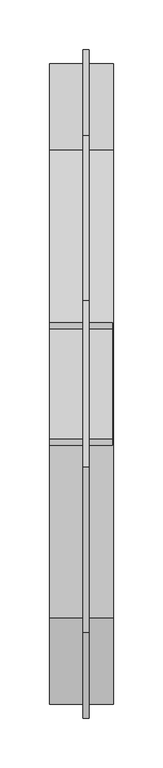
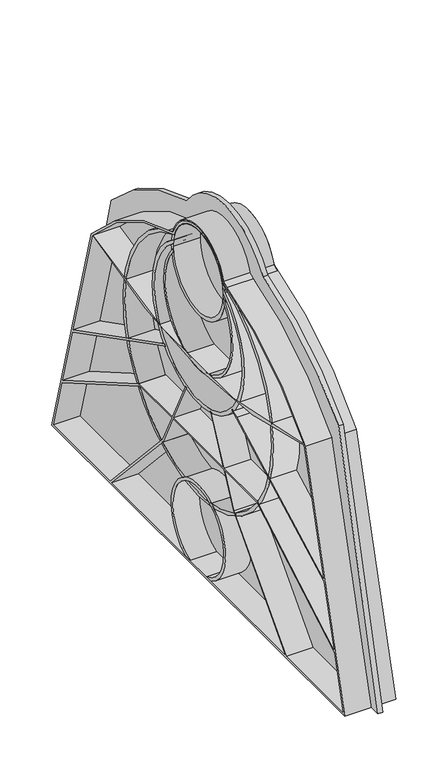
"""IFC4 building model written with IfcOpenShell, lengths in millimetres: proxy geometry."""

from ifc_helpers import new_model, si_unit, point, frame, frame_2d, origin, place, context, project, spatial, polyline, circle_curve, trimmed, segment, composite_curve, outline, extrude, source, transform, mapped, element, save


def specialty_equipment_7a08f7e1(model_context):
    return source(origin(), model_context, "Body", "SweptSolid", [
        extrude(outline(composite_curve([segment(trimmed(circle_curve(frame_2d((0.0, 379.1)), 100.9), [point((-84.0, 435.0))], [point((84.0, 435.0))], False, "CARTESIAN"), True, "CONTINUOUS"), segment(trimmed(circle_curve(frame_2d((-5.344615, 97.6299661)), 349.0), [point((84.0, 435.0))], [point((250.5, 335.0))], False, "CARTESIAN"), True, "CONTINUOUS"), segment(polyline([(250.5, 335.0), (337.5, 0.0), (-337.5, 0.0), (-250.5, 335.0)]), True, "CONTINUOUS"), segment(trimmed(circle_curve(frame_2d((5.344615, 97.6299661)), 349.0), [point((-250.5, 335.0))], [point((-84.0, 435.0))], False, "CARTESIAN"), True, "CONTINUOUS")], self_intersect=False)), frame((-1123.5, 0.0, 0.0), z_axis=(1.0, 0.0, 0.0), x_axis=(0.0, 1.0, 0.0)), (0.0, 0.0, 1.0), 6.0),
        extrude(outline(composite_curve([segment(polyline([(28.1247222, 3.0), (18.0831413, 3.0)]), True, "CONTINUOUS"), segment(trimmed(circle_curve(frame_2d((0.0, 56.0)), 56.0), [point((18.0831413, 3.0))], [point((-18.0831413, 3.0))], True, "CARTESIAN"), True, "CONTINUOUS"), segment(polyline([(-18.0831413, 3.0), (-28.1247222, 3.0)]), True, "CONTINUOUS"), segment(trimmed(circle_curve(frame_2d((0.0, 56.0)), 60.0), [point((-28.1247222, 3.0))], [point((28.1247222, 3.0))], False, "CARTESIAN"), True, "CONTINUOUS")], self_intersect=False)), frame((-1157.5, 0.0, 0.0), z_axis=(1.0, 0.0, 0.0), x_axis=(0.0, 1.0, 0.0)), (0.0, 0.0, 1.0), 64.0),
        extrude(outline(composite_curve([segment(trimmed(circle_curve(frame_2d((30.3404808, 80.9742565)), 351.7137671), [point((-235.8884077, 310.8106176))], [point((-54.9415664, 422.1919969))], False, "CARTESIAN"), True, "CONTINUOUS"), segment(trimmed(circle_curve(frame_2d((0.0, 403.6064037)), 58.0), [point((-54.9415664, 422.1919969))], [point((54.9415664, 422.1919969))], False, "CARTESIAN"), True, "CONTINUOUS"), segment(trimmed(circle_curve(frame_2d((-30.3404808, 80.9742565)), 351.7137671), [point((54.9415664, 422.1919969))], [point((235.8884077, 310.8106176))], False, "CARTESIAN"), True, "CONTINUOUS"), segment(polyline([(235.8884077, 310.8106176), (323.1159036, 0.0), (-323.1159036, 0.0), (-235.8884077, 310.8106176)]), True, "CONTINUOUS")], self_intersect=False), holes=[polyline([(129.1961524, 170.0), (59.081871, 170.0), (79.3096373, 128.9821475), (194.7510065, 3.0), (319.1580645, 3.0), (299.9591459, 71.4099397), (129.1961524, 170.0)]), polyline([(-76.8084508, 127.2711519), (-190.6819814, 3.0), (190.6819814, 3.0), (76.8084508, 127.2711519), (55.7369148, 170.0), (-55.7369148, 170.0), (-76.8084508, 127.2711519)]), composite_curve([segment(trimmed(circle_curve(frame_2d((30.3404808, 80.9742565)), 349.0), [point((-52.5, 420.0))], [point((-231.1917767, 312.0627208))], True, "CARTESIAN"), True, "CONTINUOUS"), segment(trimmed(circle_curve(frame_2d((2.0407686, 1024.8758659)), 750.0), [point((-231.1917767, 312.0627208))], [point((232.0990006, 311.0318984))], True, "CARTESIAN"), True, "CONTINUOUS"), segment(trimmed(circle_curve(frame_2d((-30.3404808, 80.9742565)), 349.0), [point((232.0990006, 311.0318984))], [point((52.5, 420.0))], True, "CARTESIAN"), True, "CONTINUOUS"), segment(trimmed(circle_curve(frame_2d((0.0, 403.6064037)), 55.0), [point((52.5, 420.0))], [point((-52.5, 420.0))], True, "CARTESIAN"), True, "CONTINUOUS")], self_intersect=False), composite_curve([segment(polyline([(-276.9613418, 153.3561385), (-298.7989803, 75.5438633), (-130.0, 173.0), (-57.6024347, 173.0), (-29.0, 231.0)]), True, "CONTINUOUS"), segment(trimmed(circle_curve(frame_2d((0.0, 403.6064037)), 175.0256284), [point((-29.0, 231.0))], [point((-25.8979683, 230.5073978))], True, "CARTESIAN"), True, "CONTINUOUS"), segment(polyline([(-25.8979683, 230.5073978), (-54.2574786, 173.0), (54.2574786, 173.0), (25.8979683, 230.5073978)]), True, "CONTINUOUS"), segment(trimmed(circle_curve(frame_2d((0.0, 403.6064037)), 175.0256284), [point((25.8979683, 230.5073978))], [point((29.0, 231.0))], True, "CARTESIAN"), True, "CONTINUOUS"), segment(polyline([(29.0, 231.0), (57.6024347, 173.0), (130.0, 173.0), (298.7989803, 75.5438633), (276.9678399, 153.3329842), (79.0099007, 254.7657006), (72.7170734, 257.7225089), (74.5436392, 260.1789251), (80.3322109, 257.4590512), (275.8629263, 157.2700328), (233.0, 310.0)]), True, "CONTINUOUS"), segment(trimmed(circle_curve(frame_2d((0.0, 1007.0910988)), 735.0), [point((233.0, 310.0))], [point((-233.0, 310.0))], False, "CARTESIAN"), True, "CONTINUOUS"), segment(polyline([(-233.0, 310.0), (-275.842331, 157.3434182), (-85.3669331, 258.2122291), (-75.3060296, 263.0725452), (-73.2014593, 260.7575179), (-84.0119951, 255.5350623), (-276.9613418, 153.3561385)]), True, "CONTINUOUS")], self_intersect=False), polyline([(-299.9591459, 71.4099397), (-319.1580645, 3.0), (-194.7510065, 3.0), (-79.3096373, 128.9821475), (-59.081871, 170.0), (-129.1961524, 170.0), (-299.9591459, 71.4099397)])]), frame((-1157.5, 0.0, 0.0), z_axis=(1.0, 0.0, 0.0), x_axis=(0.0, 1.0, 0.0)), (0.0, 0.0, 1.0), 65.0),
        extrude(outline(composite_curve([segment(trimmed(circle_curve(frame_2d((0.0, 397.0)), 58.0), [point((-50.7682308, 425.0461538))], [point((-53.244718, 420.0))], True, "CARTESIAN"), True, "CONTINUOUS"), segment(trimmed(circle_curve(frame_2d((0.0, 267.0)), 162.0), [point((-53.244718, 420.0))], [point((53.244718, 420.0))], True, "CARTESIAN"), True, "CONTINUOUS"), segment(trimmed(circle_curve(frame_2d((0.0, 397.0)), 58.0), [point((53.244718, 420.0))], [point((50.7682308, 425.0461538))], True, "CARTESIAN"), True, "CONTINUOUS"), segment(trimmed(circle_curve(frame_2d((0.0, 267.0)), 166.0), [point((50.7682308, 425.0461538))], [point((-50.7682308, 425.0461538))], False, "CARTESIAN"), True, "CONTINUOUS")], self_intersect=False)), frame((-1157.5, 0.0, 0.0), z_axis=(1.0, 0.0, 0.0), x_axis=(0.0, 1.0, 0.0)), (0.0, 0.0, 1.0), 64.0),
        extrude(outline(composite_curve([segment(trimmed(circle_curve(frame_2d((0.0, 397.0)), 56.0), [point((-53.5653536, 413.3325714))], [point((-55.1345622, 406.8071429))], True, "CARTESIAN"), True, "CONTINUOUS"), segment(trimmed(circle_curve(frame_2d((0.0, 327.0)), 97.0), [point((-55.1345622, 406.8071429))], [point((55.1345622, 406.8071429))], True, "CARTESIAN"), True, "CONTINUOUS"), segment(trimmed(circle_curve(frame_2d((0.0, 397.0)), 56.0), [point((55.1345622, 406.8071429))], [point((53.5653536, 413.3325714))], True, "CARTESIAN"), True, "CONTINUOUS"), segment(trimmed(circle_curve(frame_2d((0.0, 327.0)), 101.6), [point((53.5653536, 413.3325714))], [point((-53.5653536, 413.3325714))], False, "CARTESIAN"), True, "CONTINUOUS")], self_intersect=False)), frame((-1157.5, 0.0, 0.0), z_axis=(1.0, 0.0, 0.0), x_axis=(0.0, 1.0, 0.0)), (0.0, 0.0, 1.0), 64.0),
        extrude(outline(composite_curve([segment(trimmed(circle_curve(frame_2d((0.0, 397.0)), 55.0), [point((-54.8628268, 400.8820408))], [point((-54.991093, 396.0102041))], True, "CARTESIAN"), True, "CONTINUOUS"), segment(trimmed(circle_curve(frame_2d((0.0, 348.0)), 73.0), [point((-54.991093, 396.0102041))], [point((54.991093, 396.0102041))], True, "CARTESIAN"), True, "CONTINUOUS"), segment(trimmed(circle_curve(frame_2d((0.0, 397.0)), 55.0), [point((54.991093, 396.0102041))], [point((54.8628268, 400.8820408))], True, "CARTESIAN"), True, "CONTINUOUS"), segment(trimmed(circle_curve(frame_2d((0.0, 348.0)), 76.2), [point((54.8628268, 400.8820408))], [point((-54.8628268, 400.8820408))], False, "CARTESIAN"), True, "CONTINUOUS")], self_intersect=False)), frame((-1157.5, 0.0, 0.0), z_axis=(1.0, 0.0, 0.0), x_axis=(0.0, 1.0, 0.0)), (0.0, 0.0, 1.0), 64.0),
        extrude(outline(composite_curve([segment(trimmed(circle_curve(frame_2d((0.0, 404.0)), 59.3), [point((-59.3, 404.0))], [point((59.3, 404.0))], False, "CARTESIAN"), True, "CONTINUOUS"), segment(trimmed(circle_curve(frame_2d((0.0, 404.0)), 59.3), [point((59.3, 404.0))], [point((-59.3, 404.0))], False, "CARTESIAN"), True, "CONTINUOUS")], self_intersect=False), holes=[composite_curve([segment(trimmed(circle_curve(frame_2d((0.0, 404.0)), 54.0), [point((-54.0, 404.0))], [point((54.0, 404.0))], True, "CARTESIAN"), True, "CONTINUOUS"), segment(trimmed(circle_curve(frame_2d((0.0, 404.0)), 54.0), [point((54.0, 404.0))], [point((-54.0, 404.0))], True, "CARTESIAN"), True, "CONTINUOUS")], self_intersect=False)]), frame((-1157.5, 0.0, 0.0), z_axis=(1.0, 0.0, 0.0), x_axis=(0.0, 1.0, 0.0)), (0.0, 0.0, 1.0), 64.0),
    ])


if __name__ == "__main__":
    model = new_model("IFC4")
    model_context = context("Model", 3, world=origin())
    ifc_project = project(units=[si_unit("LENGTHUNIT", "METRE", prefix="MILLI")], contexts=[model_context])
    site = spatial("IfcSite", under=ifc_project)
    building = spatial("IfcBuilding", under=site)
    placement = place(None, origin())
    specialty_equipment_shape = specialty_equipment_7a08f7e1(model_context)
    element("IfcBuildingElementProxy", 1, Name="Specialty Equipment", at=placement, inside=building, context=model_context, shape_type="MappedRepresentation", body=[
        mapped(specialty_equipment_shape, transform((0.0, 0.0, 0.0), x_axis=(1.0, 0.0, 0.0), y_axis=(0.0, 1.0, 0.0), z_axis=(0.0, 0.0, 1.0))),
    ])
    save(model, "model.ifc")
